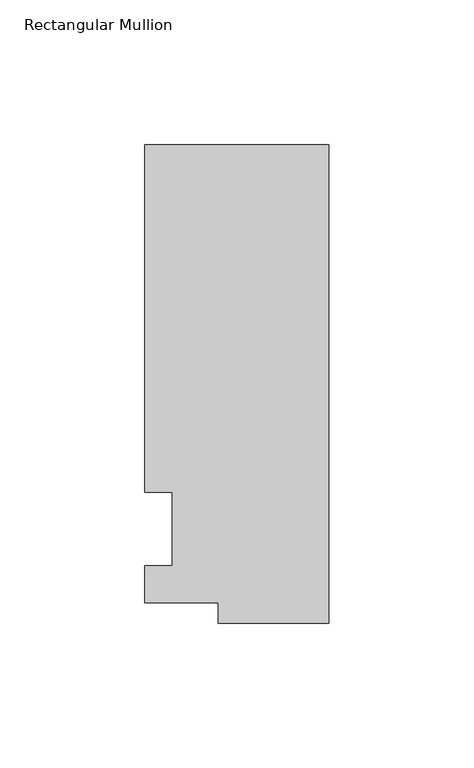
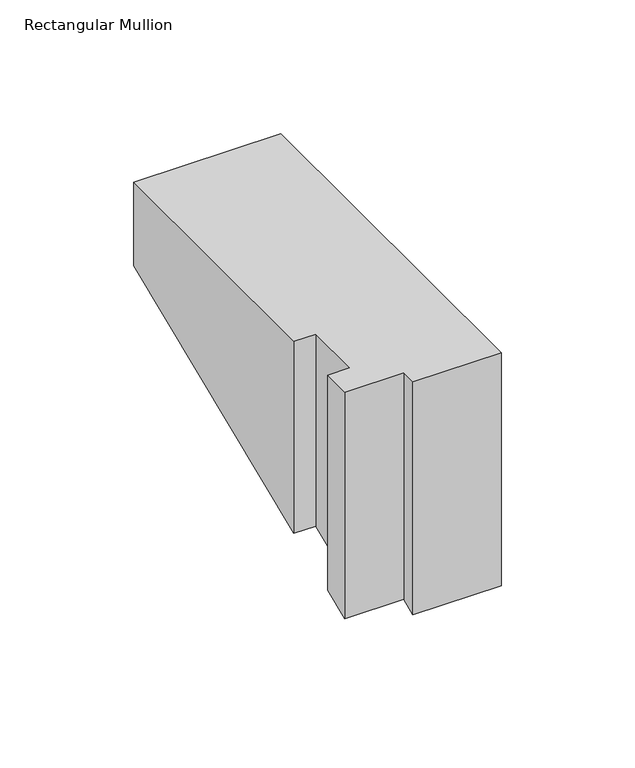
"""IFC4 building model written with IfcOpenShell, lengths in millimetres: member geometry, Rectangular Mullion."""

from ifc_helpers import new_model, si_unit, origin, place, context, project, spatial, faceted_brep, source, transform, mapped, element, save


def rectangular_mullion_4fd719d4(model_context):
    return source(origin(), model_context, "Body", "Brep", [
        faceted_brep([(-38.1, -32.54375, 0.0), (0.0, -32.54375, 0.0), (0.0, 132.55625, 0.0), (-63.5, 132.55625, 0.0), (-63.5, 12.7, 0.0), (-53.975, 12.7, 0.0), (-53.975, -12.7, 0.0), (-63.5, -12.7, 0.0), (-63.5, -25.58415, 0.0), (-38.1, -25.58415, 0.0), (-38.1, -32.54375, -106.4849986), (0.0, -32.54375, -106.4849986), (0.0, 132.55625, -38.0983394), (-63.5, 132.55625, -38.0983394), (-63.5, 12.7, -87.7444237), (-53.975, 12.7, -87.7444237), (-53.975, -12.7, -98.2654482), (-63.5, -12.7, -98.2654482), (-63.5, -25.58415, -103.6022379), (-38.1, -25.58415, -103.6022379)], [[[0, 1, 2, 3, 4, 5, 6, 7, 8, 9]], [[1, 0, 10, 11]], [[2, 1, 11, 12]], [[3, 2, 12, 13]], [[4, 3, 13, 14]], [[5, 4, 14, 15]], [[6, 5, 15, 16]], [[7, 6, 16, 17]], [[8, 7, 17, 18]], [[9, 8, 18, 19]], [[0, 9, 19, 10]], [[10, 19, 18, 17, 16, 15, 14, 13, 12, 11]]]),
    ])


if __name__ == "__main__":
    model = new_model("IFC4")
    model_context = context("Model", 3, world=origin())
    ifc_project = project(units=[si_unit("LENGTHUNIT", "METRE", prefix="MILLI")], contexts=[model_context])
    site = spatial("IfcSite", under=ifc_project)
    building = spatial("IfcBuilding", under=site)
    placement = place(None, origin())
    rectangular_mullion_shape = rectangular_mullion_4fd719d4(model_context)
    element("IfcMember", 1, ObjectType="Rectangular Mullion", at=placement, inside=building, context=model_context, shape_type="MappedRepresentation", body=[
        mapped(rectangular_mullion_shape, transform((0.0, 0.0, 0.0), x_axis=(1.0, 0.0, 0.0), y_axis=(0.0, 1.0, 0.0), z_axis=(0.0, 0.0, 1.0))),
    ])
    save(model, "model.ifc")
